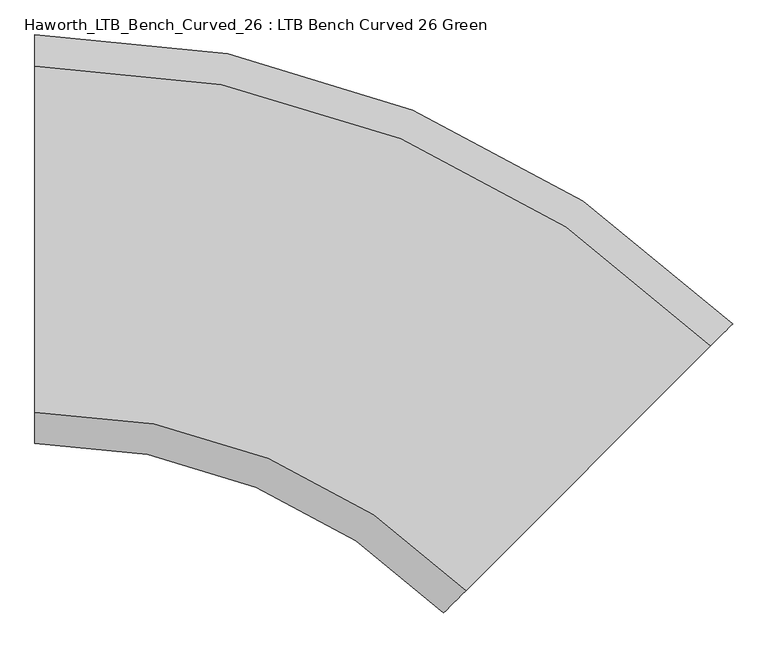
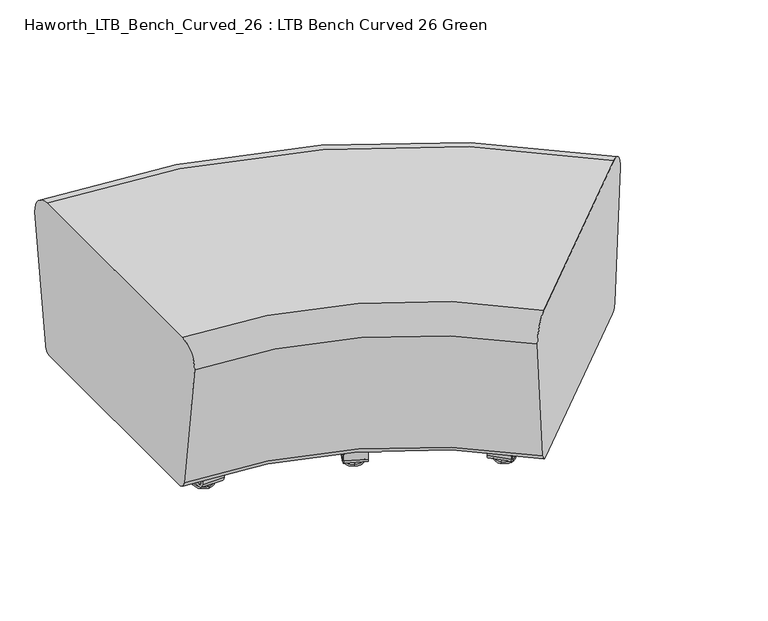
"""IFC4 building model written with IfcOpenShell, lengths in millimetres: furniture geometry, Haworth_LTB_Bench_Curved_26 : LTB Bench Curved 26 Green."""

from ifc_helpers import new_model, si_unit, point, frame, frame_2d, origin, place, context, project, spatial, polyline, circle_curve, ellipse_curve, trimmed, segment, composite_curve, outline, extrude, source, transform, mapped, element, save
from ifc_brep_helpers import plane_surface, cylinder_surface, revolved_surface, advanced_brep


def haworth_ltb_bench_curved_26_ltb_bench_curved_26_green_c423b863(model_context):
    return source(origin(), model_context, "Body", "SolidModel", [
        advanced_brep(
        [(389.9431514, -298.4142763, 7.8133431), (386.2980917, -307.2142289, 7.8133431), (385.0604846, -310.2020767, 7.8133431), (391.1807584, -295.4264285, 7.8133431), (379.7249767, -323.0831321, 4.0775), (396.5162663, -282.5453731, 4.0775), (379.8820879, -322.7038322, 0.0), (396.3591551, -282.924673, 0.0), (388.1206215, -302.8142526, 0.0), (388.1206215, -302.8142526, 50.0000004), (386.2980917, -307.2142289, 50.0000004), (389.9431514, -298.4142763, 50.0000004)],
        [
            (0, 1, circle_curve(frame((388.1206215, -302.8142526, 7.8133431), z_axis=(0.0, 0.0, -1.0), x_axis=(-0.38268343236511054, -0.9238795325112782, 0.0)), 4.7625)),
            (1, 2),
            (2, 3, circle_curve(frame((388.1206215, -302.8142526, 7.8133431), z_axis=(0.0, 0.0, 1.0), x_axis=(-0.38268343236511054, -0.9238795325112782, 0.0)), 7.9965232)),
            (3, 0),
            (1, 0, circle_curve(frame((388.1206215, -302.8142526, 7.8133431), z_axis=(0.0, 0.0, -1.0), x_axis=(-0.38268343236511054, -0.9238795325112782, 0.0)), 4.7625)),
            (3, 2, circle_curve(frame((388.1206215, -302.8142526, 7.8133431), z_axis=(0.0, 0.0, 1.0), x_axis=(-0.38268343236511054, -0.9238795325112782, 0.0)), 7.9965232)),
            (2, 4),
            (4, 5, circle_curve(frame((388.1206215, -302.8142526, 4.0775), z_axis=(0.0, 0.0, 1.0), x_axis=(-0.38268343236511054, -0.9238795325112782, 0.0)), 21.9388771)),
            (5, 3),
            (5, 4, circle_curve(frame((388.1206215, -302.8142526, 4.0775), z_axis=(0.0, 0.0, 1.0), x_axis=(-0.38268343236511054, -0.9238795325112782, 0.0)), 21.9388771)),
            (4, 6, circle_curve(frame((379.9306014, -322.5867102, 2.0721829), z_axis=(0.9238795325112782, -0.38268343236511054, 0.0), x_axis=(0.38268343236511054, 0.9238795325112782, 0.0)), 2.0760571)),
            (6, 7, circle_curve(frame((388.1206215, -302.8142526, 0.0), z_axis=(0.0, 0.0, 1.0), x_axis=(-0.38268343236511054, -0.9238795325112782, 0.0)), 21.5283258)),
            (7, 5, circle_curve(frame((396.3106416, -283.041795, 2.0721829), z_axis=(0.923879532511277, -0.38268343236511354, 0.0), x_axis=(-0.38268343236511354, -0.923879532511277, 0.0)), 2.0760571)),
            (7, 6, circle_curve(frame((388.1206215, -302.8142526, 0.0), z_axis=(0.0, 0.0, 1.0), x_axis=(-0.38268343236511054, -0.9238795325112782, 0.0)), 21.5283258)),
            (6, 8),
            (8, 7),
            (9, 10),
            (10, 11, circle_curve(frame((388.1206215, -302.8142526, 50.0000004), z_axis=(0.0, 0.0, 1.0), x_axis=(-0.38268343236511054, -0.9238795325112782, 0.0)), 4.7625)),
            (11, 9),
            (11, 10, circle_curve(frame((388.1206215, -302.8142526, 50.0000004), z_axis=(0.0, 0.0, 1.0), x_axis=(-0.38268343236511054, -0.9238795325112782, 0.0)), 4.7625)),
            (10, 1),
            (0, 11),
        ],
        [
            plane_surface(frame((388.1206215, -302.8142526, 7.8133431), z_axis=(0.0, 0.0, 1.0), x_axis=(-0.38268343236511054, -0.9238795325112782, 0.0))),
            revolved_surface(polyline([(379.7249767, -323.0831321, 4.0775), (385.0604846, -310.2020767, 7.8133431)]), (388.1206215, -302.8142526, 0.0), (0.0, 0.0, 1.0)),
            revolved_surface(trimmed(ellipse_curve(frame((379.9306014, -322.5867102, 2.0721829), z_axis=(-0.9238795325112782, 0.38268343236511054, 0.0), x_axis=(0.38268343236511054, 0.9238795325112782, 0.0)), 2.0760571, 2.0760571), [point((379.8820879, -322.7038322, 0.0))], [point((379.7249767, -323.0831321, 4.0775))], True, "CARTESIAN"), (388.1206215, -302.8142526, 0.0), (0.0, 0.0, 1.0)),
            plane_surface(frame((388.1206215, -302.8142526, 0.0), z_axis=(0.0, 0.0, -1.0), x_axis=(-0.38268343236511054, -0.9238795325112782, 0.0))),
            plane_surface(frame((388.1206215, -302.8142526, 50.0000004), z_axis=(0.0, 0.0, 1.0), x_axis=(-0.38268343236511054, -0.9238795325112782, 0.0))),
            cylinder_surface(frame((388.1206215, -302.8142526, 0.0), z_axis=(0.0, 0.0, 1.0), x_axis=(-0.38268343236511054, -0.9238795325112782, 0.0)), 4.7625),
        ],
        [
            (0, [[1, 2, 3, 4]]),
            (0, [[5, -4, 6, -2]]),
            (1, [[-3, 7, 8, 9]]),
            (1, [[-6, -9, 10, -7]]),
            (2, [[-8, 11, 12, 13]]),
            (2, [[-10, -13, 14, -11]]),
            (3, [[-12, 15, 16]]),
            (3, [[-14, -16, -15]]),
            (4, [[17, 18, 19]]),
            (4, [[-19, 20, -17]]),
            (5, [[-18, 21, -1, 22]]),
            (5, [[-20, -22, -5, -21]]),
        ],
    ),
        advanced_brep(
        [(552.705699, 94.5292735, 7.8133431), (558.8259728, 109.3049217, 7.8133431), (557.5883658, 106.3170739, 7.8133431), (553.9433061, 97.5171213, 7.8133431), (547.3701911, 81.6482181, 4.0775), (564.1614807, 122.1859771, 4.0775), (547.5273023, 82.027518, 0.0), (564.0043695, 121.8066772, 0.0), (555.7658359, 101.9170976, 0.0), (553.9433061, 97.5171213, 50.0000004), (557.5883658, 106.3170739, 50.0000004), (555.7658359, 101.9170976, 50.0000004)],
        [
            (0, 1, circle_curve(frame((555.7658359, 101.9170976, 7.8133431), z_axis=(0.0, 0.0, 1.0), x_axis=(0.3826834323651135, 0.923879532511277, 0.0)), 7.9965232)),
            (1, 2),
            (2, 3, circle_curve(frame((555.7658359, 101.9170976, 7.8133431), z_axis=(0.0, 0.0, -1.0), x_axis=(0.3826834323651135, 0.923879532511277, 0.0)), 4.7625)),
            (3, 0),
            (1, 0, circle_curve(frame((555.7658359, 101.9170976, 7.8133431), z_axis=(0.0, 0.0, 1.0), x_axis=(0.3826834323651135, 0.923879532511277, 0.0)), 7.9965232)),
            (3, 2, circle_curve(frame((555.7658359, 101.9170976, 7.8133431), z_axis=(0.0, 0.0, -1.0), x_axis=(0.3826834323651135, 0.923879532511277, 0.0)), 4.7625)),
            (4, 5, circle_curve(frame((555.7658359, 101.9170976, 4.0775), z_axis=(0.0, 0.0, 1.0), x_axis=(0.3826834323651135, 0.923879532511277, 0.0)), 21.9388771)),
            (5, 1),
            (0, 4),
            (5, 4, circle_curve(frame((555.7658359, 101.9170976, 4.0775), z_axis=(0.0, 0.0, 1.0), x_axis=(0.3826834323651135, 0.923879532511277, 0.0)), 21.9388771)),
            (6, 7, circle_curve(frame((555.7658359, 101.9170976, 0.0), z_axis=(0.0, 0.0, 1.0), x_axis=(0.3826834323651135, 0.923879532511277, 0.0)), 21.5283258)),
            (7, 5, circle_curve(frame((563.955856, 121.6895552, 2.0721829), z_axis=(0.923879532511277, -0.3826834323651135, 0.0), x_axis=(-0.3826834323651135, -0.923879532511277, 0.0)), 2.0760571)),
            (4, 6, circle_curve(frame((547.5758158, 82.14464, 2.0721829), z_axis=(0.9238795325112782, -0.3826834323651105, 0.0), x_axis=(0.3826834323651105, 0.9238795325112782, 0.0)), 2.0760571)),
            (7, 6, circle_curve(frame((555.7658359, 101.9170976, 0.0), z_axis=(0.0, 0.0, 1.0), x_axis=(0.3826834323651135, 0.923879532511277, 0.0)), 21.5283258)),
            (8, 7),
            (6, 8),
            (9, 10, circle_curve(frame((555.7658359, 101.9170976, 50.0000004), z_axis=(0.0, 0.0, 1.0), x_axis=(0.3826834323651135, 0.923879532511277, 0.0)), 4.7625)),
            (10, 11),
            (11, 9),
            (10, 9, circle_curve(frame((555.7658359, 101.9170976, 50.0000004), z_axis=(0.0, 0.0, 1.0), x_axis=(0.3826834323651135, 0.923879532511277, 0.0)), 4.7625)),
            (2, 10),
            (9, 3),
        ],
        [
            plane_surface(frame((555.7658359, 101.9170976, 7.8133431), z_axis=(0.0, 0.0, 1.0), x_axis=(0.3826834323651135, 0.923879532511277, 0.0))),
            revolved_surface(polyline([(558.8259728, 109.3049217, 7.8133431), (564.1614807, 122.1859771, 4.0775)]), (555.7658359, 101.9170976, 0.0), (0.0, 0.0, -1.0)),
            revolved_surface(trimmed(ellipse_curve(frame((563.955856, 121.6895552, 2.0721829), z_axis=(-0.923879532511277, 0.3826834323651135, 0.0), x_axis=(-0.3826834323651135, -0.923879532511277, 0.0)), 2.0760571, 2.0760571), [point((564.1614807, 122.1859771, 4.0775))], [point((564.0043695, 121.8066772, 0.0))], True, "CARTESIAN"), (555.7658359, 101.9170976, 0.0), (0.0, 0.0, -1.0)),
            plane_surface(frame((555.7658359, 101.9170976, 0.0), z_axis=(0.0, 0.0, -1.0), x_axis=(0.3826834323651135, 0.923879532511277, 0.0))),
            plane_surface(frame((555.7658359, 101.9170976, 50.0000004), z_axis=(0.0, 0.0, 1.0), x_axis=(0.3826834323651135, 0.923879532511277, 0.0))),
            cylinder_surface(frame((555.7658359, 101.9170976, 0.0), z_axis=(0.0, 0.0, -1.0), x_axis=(0.3826834323651135, 0.923879532511277, 0.0)), 4.7625),
        ],
        [
            (0, [[1, 2, 3, 4]]),
            (0, [[5, -4, 6, -2]]),
            (1, [[7, 8, -1, 9]]),
            (1, [[10, -9, -5, -8]]),
            (2, [[11, 12, -7, 13]]),
            (2, [[14, -13, -10, -12]]),
            (3, [[15, -11, 16]]),
            (3, [[-16, -14, -15]]),
            (4, [[17, 18, 19]]),
            (4, [[20, -19, -18]]),
            (5, [[-3, 21, -17, 22]]),
            (5, [[-6, -22, -20, -21]]),
        ],
    ),
        extrude(outline(composite_curve([segment(polyline([(0.0, 0.0), (-1.1e-06, -5.6900075), (-35.4274256, -5.6900007)]), True, "CONTINUOUS"), segment(trimmed(circle_curve(frame_2d((-35.4274274, -15.0000027)), 9.310002), [point((-35.4274256, -5.6900007))], [point((-44.6468251, -13.7043009))], True, "CARTESIAN"), True, "CONTINUOUS"), segment(polyline([(-44.6468251, -13.7043009), (-112.8503597, -498.9976979)]), True, "CONTINUOUS"), segment(trimmed(circle_curve(frame_2d((-103.6309619, -500.2933996)), 9.310002), [point((-112.8503597, -498.9976979))], [point((-106.1971444, -509.2427485))], True, "CARTESIAN"), True, "CONTINUOUS"), segment(polyline([(-106.1971444, -509.2427485), (-72.1421162, -519.0078628), (-73.7104936, -524.4774494), (-107.7655241, -514.7123273)]), True, "CONTINUOUS"), segment(trimmed(circle_curve(frame_2d((-103.6309637, -500.2934007)), 15.000001), [point((-107.7655241, -514.7123273))], [point((-118.4849857, -498.2058042))], False, "CARTESIAN"), True, "CONTINUOUS"), segment(polyline([(-118.4849857, -498.2058042), (-50.2814508, -12.9124045)]), True, "CONTINUOUS"), segment(trimmed(circle_curve(frame_2d((-35.4274288, -15.0000011)), 15.000001), [point((-50.2814508, -12.9124045))], [point((-35.4274288, 0.0))], False, "CARTESIAN"), True, "CONTINUOUS"), segment(polyline([(-35.4274288, 0.0), (0.0, 0.0)]), True, "CONTINUOUS")], self_intersect=False)), frame((596.7504243, 134.4892481, 62.9950557), z_axis=(-0.9238795325112771, 0.38268343236511354, 0.0), x_axis=(0.053259236495432585, 0.12857917106890013, 0.9902680700169819)), (0.0, 0.0, 1.0), 50.8),
        advanced_brep(
        [(662.5433137, -445.7133567, 7.8133431), (655.8081216, -452.4485488, 7.8133431), (653.5213219, -454.7353485, 7.8133431), (664.8301134, -443.426557, 7.8133431), (643.6625889, -464.5940815, 4.0775), (674.6888464, -433.567824, 4.0775), (643.9528925, -464.3037779, 0.0), (674.3985428, -433.8581276, 0.0), (659.1757176, -449.0809528, 0.0), (659.1757176, -449.0809528, 50.0000004), (655.8081216, -452.4485488, 50.0000004), (662.5433137, -445.7133567, 50.0000004)],
        [
            (0, 1, circle_curve(frame((659.1757176, -449.0809528, 7.8133431), z_axis=(0.0, 0.0, -1.0), x_axis=(-0.7071067811865458, -0.7071067811865493, 0.0)), 4.7625)),
            (1, 2),
            (2, 3, circle_curve(frame((659.1757176, -449.0809528, 7.8133431), z_axis=(0.0, 0.0, 1.0), x_axis=(-0.7071067811865458, -0.7071067811865493, 0.0)), 7.9965232)),
            (3, 0),
            (1, 0, circle_curve(frame((659.1757176, -449.0809528, 7.8133431), z_axis=(0.0, 0.0, -1.0), x_axis=(-0.7071067811865458, -0.7071067811865493, 0.0)), 4.7625)),
            (3, 2, circle_curve(frame((659.1757176, -449.0809528, 7.8133431), z_axis=(0.0, 0.0, 1.0), x_axis=(-0.7071067811865458, -0.7071067811865493, 0.0)), 7.9965232)),
            (2, 4),
            (4, 5, circle_curve(frame((659.1757176, -449.0809528, 4.0775), z_axis=(0.0, 0.0, 1.0), x_axis=(-0.7071067811865458, -0.7071067811865493, 0.0)), 21.9388771)),
            (5, 3),
            (5, 4, circle_curve(frame((659.1757176, -449.0809528, 4.0775), z_axis=(0.0, 0.0, 1.0), x_axis=(-0.7071067811865458, -0.7071067811865493, 0.0)), 21.9388771)),
            (4, 6, circle_curve(frame((644.0425338, -464.2141367, 2.0721829), z_axis=(0.7071067811865493, -0.7071067811865458, 0.0), x_axis=(0.7071067811865458, 0.7071067811865493, 0.0)), 2.0760571)),
            (6, 7, circle_curve(frame((659.1757176, -449.0809528, 0.0), z_axis=(0.0, 0.0, 1.0), x_axis=(-0.7071067811865458, -0.7071067811865493, 0.0)), 21.5283258)),
            (7, 5, circle_curve(frame((674.3089015, -433.9477689, 2.0721829), z_axis=(0.707106781186547, -0.7071067811865481, 0.0), x_axis=(-0.7071067811865481, -0.707106781186547, 0.0)), 2.0760571)),
            (7, 6, circle_curve(frame((659.1757176, -449.0809528, 0.0), z_axis=(0.0, 0.0, 1.0), x_axis=(-0.7071067811865458, -0.7071067811865493, 0.0)), 21.5283258)),
            (6, 8),
            (8, 7),
            (9, 10),
            (10, 11, circle_curve(frame((659.1757176, -449.0809528, 50.0000004), z_axis=(0.0, 0.0, 1.0), x_axis=(-0.7071067811865458, -0.7071067811865493, 0.0)), 4.7625)),
            (11, 9),
            (11, 10, circle_curve(frame((659.1757176, -449.0809528, 50.0000004), z_axis=(0.0, 0.0, 1.0), x_axis=(-0.7071067811865458, -0.7071067811865493, 0.0)), 4.7625)),
            (10, 1),
            (0, 11),
        ],
        [
            plane_surface(frame((659.1757176, -449.0809528, 7.8133431), z_axis=(0.0, 0.0, 1.0), x_axis=(-0.7071067811865458, -0.7071067811865493, 0.0))),
            revolved_surface(polyline([(643.6625889, -464.5940815, 4.0775), (653.5213219, -454.7353485, 7.8133431)]), (659.1757176, -449.0809528, 0.0), (0.0, 0.0, 1.0)),
            revolved_surface(trimmed(ellipse_curve(frame((644.0425338, -464.2141367, 2.0721829), z_axis=(-0.7071067811865493, 0.7071067811865458, 0.0), x_axis=(0.7071067811865458, 0.7071067811865493, 0.0)), 2.0760571, 2.0760571), [point((643.9528925, -464.3037779, 0.0))], [point((643.6625889, -464.5940815, 4.0775))], True, "CARTESIAN"), (659.1757176, -449.0809528, 0.0), (0.0, 0.0, 1.0)),
            plane_surface(frame((659.1757176, -449.0809528, 0.0), z_axis=(0.0, 0.0, -1.0), x_axis=(-0.7071067811865458, -0.7071067811865493, 0.0))),
            plane_surface(frame((659.1757176, -449.0809528, 50.0000004), z_axis=(0.0, 0.0, 1.0), x_axis=(-0.7071067811865458, -0.7071067811865493, 0.0))),
            cylinder_surface(frame((659.1757176, -449.0809528, 0.0), z_axis=(0.0, 0.0, 1.0), x_axis=(-0.7071067811865458, -0.7071067811865493, 0.0)), 4.7625),
        ],
        [
            (0, [[1, 2, 3, 4]]),
            (0, [[5, -4, 6, -2]]),
            (1, [[-3, 7, 8, 9]]),
            (1, [[-6, -9, 10, -7]]),
            (2, [[-8, 11, 12, 13]]),
            (2, [[-10, -13, 14, -11]]),
            (3, [[-12, 15, 16]]),
            (3, [[-14, -16, -15]]),
            (4, [[17, 18, 19]]),
            (4, [[-19, 20, -17]]),
            (5, [[-18, 21, -1, 22]]),
            (5, [[-20, -22, -5, -21]]),
        ],
    ),
        advanced_brep(
        [(963.2892865, -144.9673839, 7.8133431), (974.598078, -133.6585924, 7.8133431), (972.3112783, -135.9453921, 7.8133431), (965.5760862, -142.6805842, 7.8133431), (953.4305535, -154.8261169, 4.0775), (984.456811, -123.7998594, 4.0775), (953.7208571, -154.5358134, 0.0), (984.1665074, -124.090163, 0.0), (968.9436822, -139.3129882, 0.0), (965.5760862, -142.6805842, 50.0000004), (972.3112783, -135.9453921, 50.0000004), (968.9436822, -139.3129882, 50.0000004)],
        [
            (0, 1, circle_curve(frame((968.9436822, -139.3129882, 7.8133431), z_axis=(0.0, 0.0, 1.0), x_axis=(0.707106781186548, 0.7071067811865471, 0.0)), 7.9965232)),
            (1, 2),
            (2, 3, circle_curve(frame((968.9436822, -139.3129882, 7.8133431), z_axis=(0.0, 0.0, -1.0), x_axis=(0.707106781186548, 0.7071067811865471, 0.0)), 4.7625)),
            (3, 0),
            (1, 0, circle_curve(frame((968.9436822, -139.3129882, 7.8133431), z_axis=(0.0, 0.0, 1.0), x_axis=(0.707106781186548, 0.7071067811865471, 0.0)), 7.9965232)),
            (3, 2, circle_curve(frame((968.9436822, -139.3129882, 7.8133431), z_axis=(0.0, 0.0, -1.0), x_axis=(0.707106781186548, 0.7071067811865471, 0.0)), 4.7625)),
            (4, 5, circle_curve(frame((968.9436822, -139.3129882, 4.0775), z_axis=(0.0, 0.0, 1.0), x_axis=(0.707106781186548, 0.7071067811865471, 0.0)), 21.9388771)),
            (5, 1),
            (0, 4),
            (5, 4, circle_curve(frame((968.9436822, -139.3129882, 4.0775), z_axis=(0.0, 0.0, 1.0), x_axis=(0.707106781186548, 0.7071067811865471, 0.0)), 21.9388771)),
            (6, 7, circle_curve(frame((968.9436822, -139.3129882, 0.0), z_axis=(0.0, 0.0, 1.0), x_axis=(0.707106781186548, 0.7071067811865471, 0.0)), 21.5283258)),
            (7, 5, circle_curve(frame((984.0768661, -124.1798043, 2.0721829), z_axis=(0.7071067811865471, -0.707106781186548, 0.0), x_axis=(-0.707106781186548, -0.7071067811865471, 0.0)), 2.0760571)),
            (4, 6, circle_curve(frame((953.8104984, -154.4461721, 2.0721829), z_axis=(0.7071067811865495, -0.7071067811865457, 0.0), x_axis=(0.7071067811865457, 0.7071067811865495, 0.0)), 2.0760571)),
            (7, 6, circle_curve(frame((968.9436822, -139.3129882, 0.0), z_axis=(0.0, 0.0, 1.0), x_axis=(0.707106781186548, 0.7071067811865471, 0.0)), 21.5283258)),
            (8, 7),
            (6, 8),
            (9, 10, circle_curve(frame((968.9436822, -139.3129882, 50.0000004), z_axis=(0.0, 0.0, 1.0), x_axis=(0.707106781186548, 0.7071067811865471, 0.0)), 4.7625)),
            (10, 11),
            (11, 9),
            (10, 9, circle_curve(frame((968.9436822, -139.3129882, 50.0000004), z_axis=(0.0, 0.0, 1.0), x_axis=(0.707106781186548, 0.7071067811865471, 0.0)), 4.7625)),
            (2, 10),
            (9, 3),
        ],
        [
            plane_surface(frame((968.9436822, -139.3129882, 7.8133431), z_axis=(0.0, 0.0, 1.0), x_axis=(0.707106781186548, 0.7071067811865471, 0.0))),
            revolved_surface(polyline([(974.598078, -133.6585924, 7.8133431), (984.456811, -123.7998594, 4.0775)]), (968.9436822, -139.3129882, 0.0), (0.0, 0.0, -1.0)),
            revolved_surface(trimmed(ellipse_curve(frame((984.0768661, -124.1798043, 2.0721829), z_axis=(-0.7071067811865471, 0.707106781186548, 0.0), x_axis=(-0.707106781186548, -0.7071067811865471, 0.0)), 2.0760571, 2.0760571), [point((984.456811, -123.7998594, 4.0775))], [point((984.1665074, -124.090163, 0.0))], True, "CARTESIAN"), (968.9436822, -139.3129882, 0.0), (0.0, 0.0, -1.0)),
            plane_surface(frame((968.9436822, -139.3129882, 0.0), z_axis=(0.0, 0.0, -1.0), x_axis=(0.707106781186548, 0.7071067811865471, 0.0))),
            plane_surface(frame((968.9436822, -139.3129882, 50.0000004), z_axis=(0.0, 0.0, 1.0), x_axis=(0.707106781186548, 0.7071067811865471, 0.0))),
            cylinder_surface(frame((968.9436822, -139.3129882, 0.0), z_axis=(0.0, 0.0, -1.0), x_axis=(0.707106781186548, 0.7071067811865471, 0.0)), 4.7625),
        ],
        [
            (0, [[1, 2, 3, 4]]),
            (0, [[5, -4, 6, -2]]),
            (1, [[7, 8, -1, 9]]),
            (1, [[10, -9, -5, -8]]),
            (2, [[11, 12, -7, 13]]),
            (2, [[14, -13, -10, -12]]),
            (3, [[15, -11, 16]]),
            (3, [[-16, -14, -15]]),
            (4, [[17, 18, 19]]),
            (4, [[20, -19, -18]]),
            (5, [[-3, 21, -17, 22]]),
            (5, [[-6, -22, -20, -21]]),
        ],
    ),
        extrude(outline(composite_curve([segment(polyline([(0.0, 0.0), (-1.1e-06, -5.6900074), (-35.4274256, -5.6900007)]), True, "CONTINUOUS"), segment(trimmed(circle_curve(frame_2d((-35.4274274, -15.0000027)), 9.310002), [point((-35.4274256, -5.6900007))], [point((-44.6468251, -13.7043009))], True, "CARTESIAN"), True, "CONTINUOUS"), segment(polyline([(-44.6468251, -13.7043009), (-112.8503597, -498.9976978)]), True, "CONTINUOUS"), segment(trimmed(circle_curve(frame_2d((-103.6309619, -500.2933996)), 9.310002), [point((-112.8503597, -498.9976978))], [point((-106.1971444, -509.2427484))], True, "CARTESIAN"), True, "CONTINUOUS"), segment(polyline([(-106.1971444, -509.2427484), (-72.1421162, -519.0078628), (-73.7104936, -524.4774494), (-107.765524, -514.7123272)]), True, "CONTINUOUS"), segment(trimmed(circle_curve(frame_2d((-103.6309637, -500.2934006)), 15.000001), [point((-107.765524, -514.7123272))], [point((-118.4849857, -498.2058041))], False, "CARTESIAN"), True, "CONTINUOUS"), segment(polyline([(-118.4849857, -498.2058041), (-50.2814508, -12.9124045)]), True, "CONTINUOUS"), segment(trimmed(circle_curve(frame_2d((-35.4274288, -15.000001)), 15.000001), [point((-50.2814508, -12.9124045))], [point((-35.4274288, -1e-07))], False, "CARTESIAN"), True, "CONTINUOUS"), segment(polyline([(-35.4274288, -1e-07), (0.0, 0.0)]), True, "CONTINUOUS")], self_intersect=False)), frame((1019.2733269, -124.904368, 62.9950557), z_axis=(-0.7071067811865471, 0.707106781186548, 0.0), x_axis=(0.09841023703061023, 0.09841023703061011, 0.9902680700169819)), (0.0, 0.0, 1.0), 50.8),
        advanced_brep(
        [(82.4954642, -214.2765284, 7.8133431), (82.4954642, -223.8015284, 7.8133431), (82.4954642, -227.0355515, 7.8133431), (82.4954642, -211.0425052, 7.8133431), (82.4954642, -240.9779054, 4.0775), (82.4954642, -197.1001513, 4.0775), (82.4954642, -240.5673542, 0.0), (82.4954642, -197.5107026, 0.0), (82.4954642, -219.0390284, 0.0), (82.4954642, -219.0390284, 50.0000004), (82.4954642, -223.8015284, 50.0000004), (82.4954642, -214.2765284, 50.0000004)],
        [
            (0, 1, circle_curve(frame((82.4954642, -219.0390284, 7.8133431), z_axis=(0.0, 0.0, -1.0), x_axis=(0.0, -1.0, 0.0)), 4.7625)),
            (1, 2),
            (2, 3, circle_curve(frame((82.4954642, -219.0390284, 7.8133431), z_axis=(0.0, 0.0, 1.0), x_axis=(0.0, -1.0, 0.0)), 7.9965232)),
            (3, 0),
            (1, 0, circle_curve(frame((82.4954642, -219.0390284, 7.8133431), z_axis=(0.0, 0.0, -1.0), x_axis=(0.0, -1.0, 0.0)), 4.7625)),
            (3, 2, circle_curve(frame((82.4954642, -219.0390284, 7.8133431), z_axis=(0.0, 0.0, 1.0), x_axis=(0.0, -1.0, 0.0)), 7.9965232)),
            (2, 4),
            (4, 5, circle_curve(frame((82.4954642, -219.0390284, 4.0775), z_axis=(0.0, 0.0, 1.0), x_axis=(0.0, -1.0, 0.0)), 21.9388771)),
            (5, 3),
            (5, 4, circle_curve(frame((82.4954642, -219.0390284, 4.0775), z_axis=(0.0, 0.0, 1.0), x_axis=(0.0, -1.0, 0.0)), 21.9388771)),
            (4, 6, circle_curve(frame((82.4954642, -240.4405822, 2.0721829), z_axis=(1.0, 0.0, 0.0), x_axis=(0.0, 1.0, 0.0)), 2.0760571)),
            (6, 7, circle_curve(frame((82.4954642, -219.0390284, 0.0), z_axis=(0.0, 0.0, 1.0), x_axis=(0.0, -1.0, 0.0)), 21.5283258)),
            (7, 5, circle_curve(frame((82.4954642, -197.6374745, 2.0721829), z_axis=(1.0, 0.0, 0.0), x_axis=(0.0, -1.0, 0.0)), 2.0760571)),
            (7, 6, circle_curve(frame((82.4954642, -219.0390284, 0.0), z_axis=(0.0, 0.0, 1.0), x_axis=(0.0, -1.0, 0.0)), 21.5283258)),
            (6, 8),
            (8, 7),
            (9, 10),
            (10, 11, circle_curve(frame((82.4954642, -219.0390284, 50.0000004), z_axis=(0.0, 0.0, 1.0), x_axis=(0.0, -1.0, 0.0)), 4.7625)),
            (11, 9),
            (11, 10, circle_curve(frame((82.4954642, -219.0390284, 50.0000004), z_axis=(0.0, 0.0, 1.0), x_axis=(0.0, -1.0, 0.0)), 4.7625)),
            (10, 1),
            (0, 11),
        ],
        [
            plane_surface(frame((82.4954642, -219.0390284, 7.8133431), z_axis=(0.0, 0.0, 1.0), x_axis=(0.0, -1.0, 0.0))),
            revolved_surface(polyline([(82.4954642, -240.9779054, 4.0775), (82.4954642, -227.0355515, 7.8133431)]), (82.4954642, -219.0390284, 0.0), (0.0, 0.0, 1.0)),
            revolved_surface(trimmed(ellipse_curve(frame((82.4954642, -240.4405822, 2.0721829), z_axis=(-1.0, 0.0, 0.0), x_axis=(0.0, 1.0, 0.0)), 2.0760571, 2.0760571), [point((82.4954642, -240.5673542, 0.0))], [point((82.4954642, -240.9779054, 4.0775))], True, "CARTESIAN"), (82.4954642, -219.0390284, 0.0), (0.0, 0.0, 1.0)),
            plane_surface(frame((82.4954642, -219.0390284, 0.0), z_axis=(0.0, 0.0, -1.0), x_axis=(0.0, -1.0, 0.0))),
            plane_surface(frame((82.4954642, -219.0390284, 50.0000004), z_axis=(0.0, 0.0, 1.0), x_axis=(0.0, -1.0, 0.0))),
            cylinder_surface(frame((82.4954642, -219.0390284, 0.0), z_axis=(0.0, 0.0, 1.0), x_axis=(0.0, -1.0, 0.0)), 4.7625),
        ],
        [
            (0, [[1, 2, 3, 4]]),
            (0, [[5, -4, 6, -2]]),
            (1, [[-3, 7, 8, 9]]),
            (1, [[-6, -9, 10, -7]]),
            (2, [[-8, 11, 12, 13]]),
            (2, [[-10, -13, 14, -11]]),
            (3, [[-12, 15, 16]]),
            (3, [[-14, -16, -15]]),
            (4, [[17, 18, 19]]),
            (4, [[-19, 20, -17]]),
            (5, [[-18, 21, -1, 22]]),
            (5, [[-20, -22, -5, -21]]),
        ],
    ),
        advanced_brep(
        [(82.4954642, 211.0425052, 7.8133431), (82.4954642, 227.0355515, 7.8133431), (82.4954642, 223.8015284, 7.8133431), (82.4954642, 214.2765284, 7.8133431), (82.4954642, 197.1001513, 4.0775), (82.4954642, 240.9779054, 4.0775), (82.4954642, 197.5107026, 0.0), (82.4954642, 240.5673542, 0.0), (82.4954642, 219.0390284, 0.0), (82.4954642, 214.2765284, 50.0000004), (82.4954642, 223.8015284, 50.0000004), (82.4954642, 219.0390284, 50.0000004)],
        [
            (0, 1, circle_curve(frame((82.4954642, 219.0390284, 7.8133431), z_axis=(0.0, 0.0, 1.0), x_axis=(0.0, 1.0, 0.0)), 7.9965232)),
            (1, 2),
            (2, 3, circle_curve(frame((82.4954642, 219.0390284, 7.8133431), z_axis=(0.0, 0.0, -1.0), x_axis=(0.0, 1.0, 0.0)), 4.7625)),
            (3, 0),
            (1, 0, circle_curve(frame((82.4954642, 219.0390284, 7.8133431), z_axis=(0.0, 0.0, 1.0), x_axis=(0.0, 1.0, 0.0)), 7.9965232)),
            (3, 2, circle_curve(frame((82.4954642, 219.0390284, 7.8133431), z_axis=(0.0, 0.0, -1.0), x_axis=(0.0, 1.0, 0.0)), 4.7625)),
            (4, 5, circle_curve(frame((82.4954642, 219.0390284, 4.0775), z_axis=(0.0, 0.0, 1.0), x_axis=(0.0, 1.0, 0.0)), 21.9388771)),
            (5, 1),
            (0, 4),
            (5, 4, circle_curve(frame((82.4954642, 219.0390284, 4.0775), z_axis=(0.0, 0.0, 1.0), x_axis=(0.0, 1.0, 0.0)), 21.9388771)),
            (6, 7, circle_curve(frame((82.4954642, 219.0390284, 0.0), z_axis=(0.0, 0.0, 1.0), x_axis=(0.0, 1.0, 0.0)), 21.5283258)),
            (7, 5, circle_curve(frame((82.4954642, 240.4405822, 2.0721829), z_axis=(1.0, 0.0, 0.0), x_axis=(0.0, -1.0, 0.0)), 2.0760571)),
            (4, 6, circle_curve(frame((82.4954642, 197.6374745, 2.0721829), z_axis=(1.0, 0.0, 0.0), x_axis=(0.0, 1.0, 0.0)), 2.0760571)),
            (7, 6, circle_curve(frame((82.4954642, 219.0390284, 0.0), z_axis=(0.0, 0.0, 1.0), x_axis=(0.0, 1.0, 0.0)), 21.5283258)),
            (8, 7),
            (6, 8),
            (9, 10, circle_curve(frame((82.4954642, 219.0390284, 50.0000004), z_axis=(0.0, 0.0, 1.0), x_axis=(0.0, 1.0, 0.0)), 4.7625)),
            (10, 11),
            (11, 9),
            (10, 9, circle_curve(frame((82.4954642, 219.0390284, 50.0000004), z_axis=(0.0, 0.0, 1.0), x_axis=(0.0, 1.0, 0.0)), 4.7625)),
            (2, 10),
            (9, 3),
        ],
        [
            plane_surface(frame((82.4954642, 219.0390284, 7.8133431), z_axis=(0.0, 0.0, 1.0), x_axis=(0.0, 1.0, 0.0))),
            revolved_surface(polyline([(82.4954642, 227.0355515, 7.8133431), (82.4954642, 240.9779054, 4.0775)]), (82.4954642, 219.0390284, 0.0), (0.0, 0.0, -1.0)),
            revolved_surface(trimmed(ellipse_curve(frame((82.4954642, 240.4405822, 2.0721829), z_axis=(-1.0, 0.0, 0.0), x_axis=(0.0, -1.0, 0.0)), 2.0760571, 2.0760571), [point((82.4954642, 240.9779054, 4.0775))], [point((82.4954642, 240.5673542, 0.0))], True, "CARTESIAN"), (82.4954642, 219.0390284, 0.0), (0.0, 0.0, -1.0)),
            plane_surface(frame((82.4954642, 219.0390284, 0.0), z_axis=(0.0, 0.0, -1.0), x_axis=(0.0, 1.0, 0.0))),
            plane_surface(frame((82.4954642, 219.0390284, 50.0000004), z_axis=(0.0, 0.0, 1.0), x_axis=(0.0, 1.0, 0.0))),
            cylinder_surface(frame((82.4954642, 219.0390284, 0.0), z_axis=(0.0, 0.0, -1.0), x_axis=(0.0, 1.0, 0.0)), 4.7625),
        ],
        [
            (0, [[1, 2, 3, 4]]),
            (0, [[5, -4, 6, -2]]),
            (1, [[7, 8, -1, 9]]),
            (1, [[10, -9, -5, -8]]),
            (2, [[11, 12, -7, 13]]),
            (2, [[14, -13, -10, -12]]),
            (3, [[15, -11, 16]]),
            (3, [[-16, -14, -15]]),
            (4, [[17, 18, 19]]),
            (4, [[20, -19, -18]]),
            (5, [[-3, 21, -17, 22]]),
            (5, [[-6, -22, -20, -21]]),
        ],
    ),
        extrude(outline(composite_curve([segment(polyline([(264.8158944, 62.9950557), (259.8853496, 27.9124042)]), True, "CONTINUOUS"), segment(trimmed(circle_curve(frame_2d((245.0313276, 30.0000007)), 15.000001), [point((259.8853496, 27.9124042))], [point((245.0313276, 14.9999997))], False, "CARTESIAN"), True, "CONTINUOUS"), segment(polyline([(245.0313276, 14.9999997), (-245.0313276, 14.9999997)]), True, "CONTINUOUS"), segment(trimmed(circle_curve(frame_2d((-245.0313276, 30.0000007)), 15.000001), [point((-245.0313276, 14.9999997))], [point((-259.8853496, 27.9124042))], False, "CARTESIAN"), True, "CONTINUOUS"), segment(polyline([(-259.8853496, 27.9124042), (-264.8158944, 62.9950557), (-259.1812615, 63.7869505), (-254.2507241, 28.7043023)]), True, "CONTINUOUS"), segment(trimmed(circle_curve(frame_2d((-245.0313262, 30.0000023)), 9.310002), [point((-254.2507241, 28.7043023))], [point((-245.0313262, 20.6900003))], True, "CARTESIAN"), True, "CONTINUOUS"), segment(polyline([(-245.0313262, 20.6900003), (245.0313262, 20.6900003)]), True, "CONTINUOUS"), segment(trimmed(circle_curve(frame_2d((245.0313262, 30.0000023)), 9.310002), [point((245.0313262, 20.6900003))], [point((254.2507241, 28.7043023))], True, "CARTESIAN"), True, "CONTINUOUS"), segment(polyline([(254.2507241, 28.7043023), (259.1812615, 63.7869505), (264.8158944, 62.9950557)]), True, "CONTINUOUS")], self_intersect=False)), frame((57.0954642, 0.0, 0.0), z_axis=(1.0, 0.0, 0.0), x_axis=(0.0, 1.0, 0.0)), (0.0, 0.0, 1.0), 50.8),
        advanced_brep(
        [(0.0, -326.1820603, 374.65), (0.0, -276.2364582, 425.0000032), (0.0, 276.2364582, 425.0000032), (0.0, 326.1820603, 374.65), (0.0, 282.8601731, 66.3987528), (0.0, 263.9955663, 50.0000004), (0.0, -263.9955663, 50.0000004), (0.0, -282.8601731, 66.3987528), (652.4485474, -596.4350974, 374.65), (683.0817477, -565.8018972, 66.3987528), (696.421039, -552.4626058, 50.0000004), (1069.7671494, -179.1164955, 50.0000004), (1083.1064407, -165.7772042, 66.3987528), (1113.7396409, -135.1440039, 374.65), (1078.422767, -170.4608778, 425.0000032), (687.7654214, -561.1182235, 425.0000032)],
        [
            (0, 1, circle_curve(frame((0.0, -276.2364582, 375.0527771), z_axis=(-1.0, 0.0, 0.0), x_axis=(0.0, -1.0, 0.0)), 49.9472261)),
            (1, 2),
            (2, 3, circle_curve(frame((0.0, 276.2364582, 375.0527771), z_axis=(-1.0, 0.0, 0.0), x_axis=(0.0, -1.0, 0.0)), 49.9472261)),
            (3, 4),
            (4, 5, circle_curve(frame((0.0, 263.9955663, 69.0500004), z_axis=(-1.0, 0.0, 0.0), x_axis=(0.0, -1.0, 0.0)), 19.05)),
            (5, 6),
            (6, 7, circle_curve(frame((0.0, -263.9955663, 69.0500004), z_axis=(-1.0, 0.0, 0.0), x_axis=(0.0, -1.0, 0.0)), 19.05)),
            (7, 0),
            (8, 9),
            (9, 10, circle_curve(frame((696.421039, -552.4626058, 69.0500004), z_axis=(0.707106781186547, -0.707106781186548, 0.0), x_axis=(-0.707106781186548, -0.707106781186547, 0.0)), 19.05)),
            (10, 11),
            (11, 12, circle_curve(frame((1069.7671494, -179.1164955, 69.0500004), z_axis=(0.707106781186547, -0.707106781186548, 0.0), x_axis=(-0.707106781186548, -0.707106781186547, 0.0)), 19.05)),
            (12, 13),
            (13, 14, circle_curve(frame((1078.422767, -170.4608778, 375.0527771), z_axis=(0.707106781186547, -0.707106781186548, 0.0), x_axis=(-0.707106781186548, -0.707106781186547, 0.0)), 49.9472261)),
            (14, 15),
            (15, 8, circle_curve(frame((687.7654214, -561.1182235, 375.0527771), z_axis=(0.707106781186547, -0.707106781186548, 0.0), x_axis=(-0.707106781186548, -0.707106781186547, 0.0)), 49.9472261)),
            (12, 4, circle_curve(frame((0.0, -1248.8836449, 66.3987528), z_axis=(0.0, 0.0, 1.0), x_axis=(0.0, 1.0, 0.0)), 1531.7438179)),
            (3, 13, circle_curve(frame((0.0, -1248.8836449, 374.65), z_axis=(0.0, 0.0, -1.0), x_axis=(0.0, 1.0, 0.0)), 1575.0657052)),
            (11, 5, circle_curve(frame((0.0, -1248.8836449, 50.0000004), z_axis=(0.0, 0.0, 1.0), x_axis=(0.0, 1.0, 0.0)), 1512.8792112)),
            (10, 6, circle_curve(frame((0.0, -1248.8836449, 50.0000004), z_axis=(0.0, 0.0, 1.0), x_axis=(0.0, 1.0, 0.0)), 984.8880785)),
            (9, 7, circle_curve(frame((0.0, -1248.8836449, 66.3987528), z_axis=(0.0, 0.0, 1.0), x_axis=(0.0, 1.0, 0.0)), 966.0234718)),
            (8, 0, circle_curve(frame((0.0, -1248.8836449, 374.65), z_axis=(0.0, 0.0, 1.0), x_axis=(0.0, 1.0, 0.0)), 922.7015845)),
            (15, 1, circle_curve(frame((0.0, -1248.8836449, 425.0000032), z_axis=(0.0, 0.0, 1.0), x_axis=(0.0, 1.0, 0.0)), 972.6471866)),
            (14, 2, circle_curve(frame((0.0, -1248.8836449, 425.0000032), z_axis=(0.0, 0.0, 1.0), x_axis=(0.0, 1.0, 0.0)), 1525.1201031)),
        ],
        [
            plane_surface(frame((0.0, -1248.8836449, 50.0000004), z_axis=(-1.0, 0.0, 0.0), x_axis=(0.0, 1.0, 0.0))),
            plane_surface(frame((0.0, -1248.8836449, 50.0000004), z_axis=(0.707106781186547, -0.707106781186548, 0.0), x_axis=(0.707106781186548, 0.707106781186547, 0.0))),
            revolved_surface(polyline([(0.0, 326.1820603, 374.65), (0.0, 282.8601731, 66.3987528)]), (0.0, -1248.8836449, 50.0000004), (0.0, 0.0, -1.0)),
            revolved_surface(trimmed(ellipse_curve(frame((0.0, 263.9955663, 69.0500004), z_axis=(-1.0, 0.0, 0.0), x_axis=(0.0, -1.0, 0.0)), 19.05, 19.05), [point((0.0, 282.8601731, 66.3987528))], [point((0.0, 263.9955663, 50.0000004))], True, "CARTESIAN"), (0.0, -1248.8836449, 50.0000004), (0.0, 0.0, -1.0)),
            plane_surface(frame((0.0, -1248.8836449, 50.0000004), z_axis=(0.0, 0.0, -1.0), x_axis=(0.0, 1.0, 0.0))),
            revolved_surface(trimmed(ellipse_curve(frame((0.0, -263.9955663, 69.0500004), z_axis=(-1.0, 0.0, 0.0), x_axis=(0.0, -1.0, 0.0)), 19.05, 19.05), [point((0.0, -263.9955663, 50.0000004))], [point((0.0, -282.8601731, 66.3987528))], True, "CARTESIAN"), (0.0, -1248.8836449, 50.0000004), (0.0, 0.0, -1.0)),
            revolved_surface(polyline([(0.0, -282.8601731, 66.3987528), (0.0, -326.1820603, 374.65)]), (0.0, -1248.8836449, 50.0000004), (0.0, 0.0, -1.0)),
            revolved_surface(trimmed(ellipse_curve(frame((0.0, -276.2364582, 375.0527771), z_axis=(-1.0, 0.0, 0.0), x_axis=(0.0, -1.0, 0.0)), 49.9472261, 49.9472261), [point((0.0, -326.1820603, 374.65))], [point((0.0, -276.2364582, 425.0000032))], True, "CARTESIAN"), (0.0, -1248.8836449, 50.0000004), (0.0, 0.0, -1.0)),
            plane_surface(frame((0.0, -1248.8836449, 425.0000032), z_axis=(0.0, 0.0, 1.0), x_axis=(0.0, 1.0, 0.0))),
            revolved_surface(trimmed(ellipse_curve(frame((0.0, 276.2364582, 375.0527771), z_axis=(-1.0, 0.0, 0.0), x_axis=(0.0, -1.0, 0.0)), 49.9472261, 49.9472261), [point((0.0, 276.2364582, 425.0000032))], [point((0.0, 326.1820603, 374.65))], True, "CARTESIAN"), (0.0, -1248.8836449, 50.0000004), (0.0, 0.0, -1.0)),
        ],
        [
            (0, [[1, 2, 3, 4, 5, 6, 7, 8]]),
            (1, [[9, 10, 11, 12, 13, 14, 15, 16]]),
            (2, [[17, -4, 18, -13]]),
            (3, [[19, -5, -17, -12]]),
            (4, [[20, -6, -19, -11]]),
            (5, [[21, -7, -20, -10]]),
            (6, [[22, -8, -21, -9]]),
            (7, [[23, -1, -22, -16]]),
            (8, [[24, -2, -23, -15]]),
            (9, [[-18, -3, -24, -14]]),
        ],
    ),
    ])


if __name__ == "__main__":
    model = new_model("IFC4")
    model_context = context("Model", 3, world=origin())
    ifc_project = project(units=[si_unit("LENGTHUNIT", "METRE", prefix="MILLI")], contexts=[model_context])
    site = spatial("IfcSite", under=ifc_project)
    building = spatial("IfcBuilding", under=site)
    placement = place(None, origin())
    haworth_ltb_bench_curved_26_ltb_bench_curved_26_green_shape = haworth_ltb_bench_curved_26_ltb_bench_curved_26_green_c423b863(model_context)
    element("IfcFurniture", 1, ObjectType="Haworth_LTB_Bench_Curved_26 : LTB Bench Curved 26 Green", at=placement, inside=building, context=model_context, shape_type="MappedRepresentation", body=[
        mapped(haworth_ltb_bench_curved_26_ltb_bench_curved_26_green_shape, transform((0.0, 0.0, 0.0), x_axis=(1.0, 0.0, 0.0), y_axis=(0.0, 1.0, 0.0), z_axis=(0.0, 0.0, 1.0))),
    ])
    save(model, "model.ifc")
